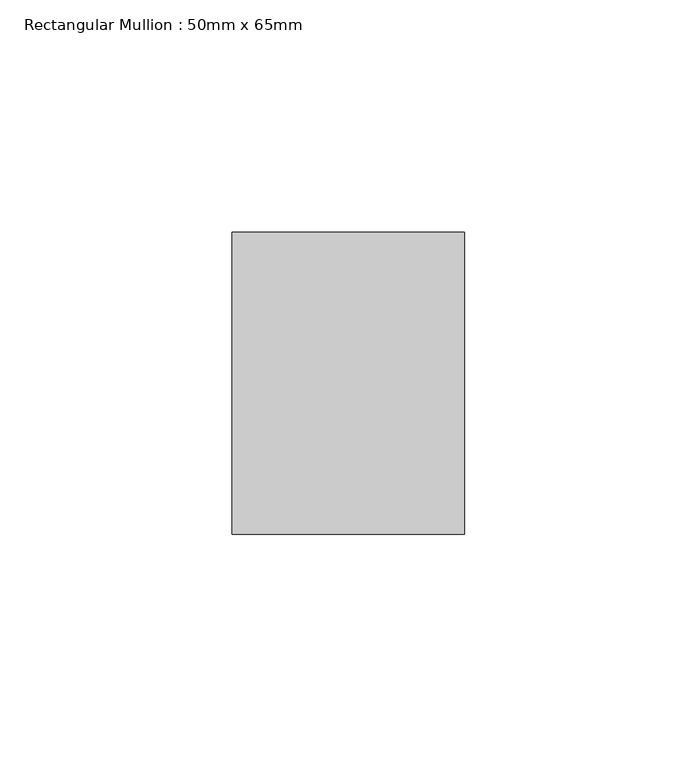
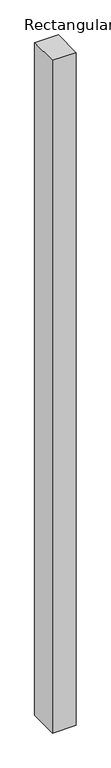
"""IFC4 building model written with IfcOpenShell, lengths in millimetres: member geometry, Rectangular Mullion : 50mm x 65mm."""

from ifc_helpers import new_model, si_unit, frame, origin, place, context, project, spatial, polyline, outline, extrude, source, transform, mapped, element, save


def rectangular_mullion_50mm_x_65mm_e14caa8a(model_context):
    return source(origin(), model_context, "Body", "SweptSolid", [
        extrude(outline(polyline([(-32.5, 0.0443368), (32.5, -0.0443371), (32.5, -1499.9019427), (-32.5, -1500.0981208), (-32.5, 0.0443368)])), frame((-25.0, 0.0, 0.0), z_axis=(1.0, 0.0, 0.0), x_axis=(0.0, 1.0, 0.0)), (0.0, 0.0, 1.0), 50.0),
    ])


if __name__ == "__main__":
    model = new_model("IFC4")
    model_context = context("Model", 3, world=origin())
    ifc_project = project(units=[si_unit("LENGTHUNIT", "METRE", prefix="MILLI")], contexts=[model_context])
    site = spatial("IfcSite", under=ifc_project)
    building = spatial("IfcBuilding", under=site)
    placement = place(None, origin())
    rectangular_mullion_50mm_x_65mm_shape = rectangular_mullion_50mm_x_65mm_e14caa8a(model_context)
    element("IfcMember", 1, ObjectType="Rectangular Mullion : 50mm x 65mm", at=placement, inside=building, context=model_context, shape_type="MappedRepresentation", body=[
        mapped(rectangular_mullion_50mm_x_65mm_shape, transform((0.0, 0.0, 0.0), x_axis=(1.0, 0.0, 0.0), y_axis=(0.0, 1.0, 0.0), z_axis=(0.0, 0.0, 1.0))),
    ])
    save(model, "model.ifc")
